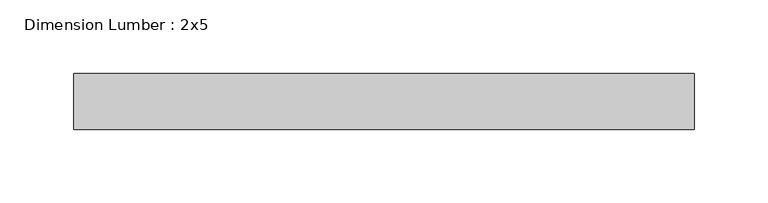
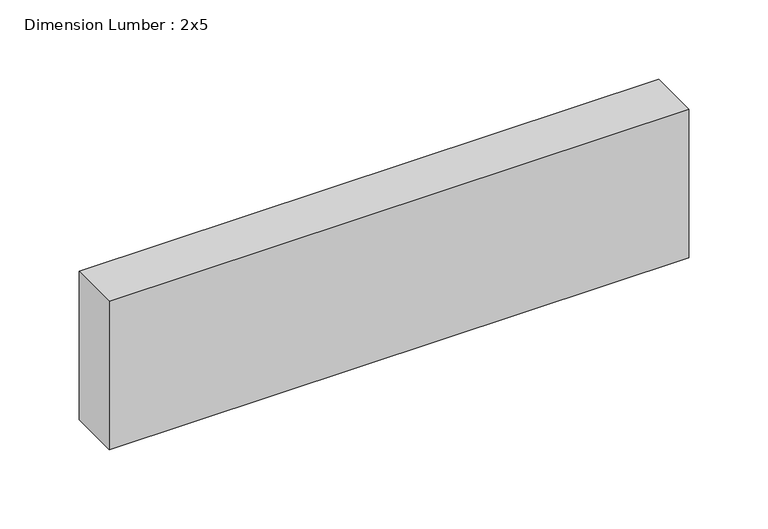
"""IFC4 building model written with IfcOpenShell, lengths in millimetres: beam geometry, Dimension Lumber : 2x5."""

import ifcopenshell
import ifcopenshell.guid

model = None  # the IFC model being written
_history = None  # IfcOwnerHistory: only IFC2X3 demands one
_inside = {}  # id of a spatial element -> (the spatial element, [elements in it])
_under = {}  # id of a project, library or spatial element -> (it, [spatial elements below it])
_declared = {}  # id of a project -> (the project, [libraries it declares])
_typed = {}  # id of a type object -> (the type object, [elements of that type])
_made_of = {}  # id of a material, layer set ... -> (it, [elements and type objects made of it])


def new_model(schema):
    """Start an empty IFC model of exactly this schema.

    Asked for "IFC4X3", IfcOpenShell would pick the latest addendum, in which some entities
    have other attributes; the version numbers below select the first issue.
    IFC2X3 requires an IfcOwnerHistory on every rooted entity: one is made here for all.
    """
    global model, _history
    if schema == "IFC4X3":
        model = ifcopenshell.file(schema_version=(4, 3, 0, 0))
    else:
        model = ifcopenshell.file(schema=schema)
    _inside.clear()
    _under.clear()
    _declared.clear()
    _typed.clear()
    _made_of.clear()
    _history = None
    if model.schema == "IFC2X3":
        org = make("IfcOrganization", Name="unknown")
        user = make(
            "IfcPersonAndOrganization",
            ThePerson=make("IfcPerson", FamilyName="unknown"),
            TheOrganization=org,
        )
        app = make(
            "IfcApplication",
            ApplicationDeveloper=org,
            Version="unknown",
            ApplicationFullName="unknown",
            ApplicationIdentifier="unknown",
        )
        _history = make(
            "IfcOwnerHistory",
            OwningUser=user,
            OwningApplication=app,
            ChangeAction="ADDED",
            CreationDate=0,
        )
    return model


def make(cls, **values):
    """One entity of the class cls with the attributes given. An attribute that is None is left unset."""
    return model.create_entity(
        cls, **{name: value for name, value in values.items() if value is not None}
    )


def rooted(cls, **values):
    """An entity with a GlobalId (a new one), such as an element, a storey or a relation."""
    return make(cls, GlobalId=ifcopenshell.guid.new(), OwnerHistory=_history, **values)


def si_unit(unit_type, name, prefix=None):
    """IfcSIUnit, for example si_unit("LENGTHUNIT", "METRE", prefix="MILLI")."""
    return make("IfcSIUnit", UnitType=unit_type, Prefix=prefix, Name=name)


def assignment(units):
    """IfcUnitAssignment: the units of a project."""
    return None if units is None else make("IfcUnitAssignment", Units=units)


def point(xyz):
    """IfcCartesianPoint."""
    return None if xyz is None else make("IfcCartesianPoint", Coordinates=xyz)


def direction(xyz):
    """IfcDirection."""
    return None if xyz is None else make("IfcDirection", DirectionRatios=xyz)


def frame(location, z_axis=None, x_axis=None):
    """IfcAxis2Placement3D, a coordinate frame: its origin and axes. An axis left out is left unset."""
    return make(
        "IfcAxis2Placement3D",
        Location=point(location),
        Axis=direction(z_axis),
        RefDirection=direction(x_axis),
    )


def origin():
    """The frame at (0, 0, 0) with its axes left unset."""
    return frame((0.0, 0.0, 0.0))


def place(relative_to, where):
    """IfcLocalPlacement: puts the frame where relative to a parent placement (None: the world)."""
    return make(
        "IfcLocalPlacement", PlacementRelTo=relative_to, RelativePlacement=where
    )


def context(
    kind, dimensions, precision=None, world=None, true_north=None, identifier=None
):
    """IfcGeometricRepresentationContext, for example the 3D "Model" context."""
    return make(
        "IfcGeometricRepresentationContext",
        ContextIdentifier=identifier,
        ContextType=kind,
        CoordinateSpaceDimension=dimensions,
        Precision=precision,
        WorldCoordinateSystem=world,
        TrueNorth=true_north,
    )


def project(units=None, contexts=None):
    """IfcProject with its units and contexts."""
    return rooted(
        "IfcProject",
        Name="project",
        RepresentationContexts=contexts,
        UnitsInContext=assignment(units),
    )


def spatial(cls, under=None, at=None, **own):
    """A site, building, storey or space (cls), placed at a placement, below another one or the project."""
    s = rooted(cls, ObjectPlacement=at, **own)
    if under is not None:
        _under.setdefault(under.id(), (under, []))[1].append(s)
    return s


def polyline(points):
    """IfcPolyline through the points."""
    return make("IfcPolyline", Points=[point(p) for p in points])


def outline(outer, holes=None, kind="AREA"):
    """IfcArbitraryClosedProfileDef: a profile drawn as a closed curve; with holes, ...WithVoids."""
    if holes is None:
        return make("IfcArbitraryClosedProfileDef", ProfileType=kind, OuterCurve=outer)
    return make(
        "IfcArbitraryProfileDefWithVoids",
        ProfileType=kind,
        OuterCurve=outer,
        InnerCurves=holes,
    )


def extrude(swept, where, along, depth):
    """IfcExtrudedAreaSolid: the profile swept, set in the frame where, extruded along a direction by depth."""
    return make(
        "IfcExtrudedAreaSolid",
        SweptArea=swept,
        Position=where,
        ExtrudedDirection=direction(along),
        Depth=depth,
    )


def shape(context_of_items, identifier, shape_type, items):
    """IfcShapeRepresentation: the items that make up one representation, for example the "Body"."""
    return make(
        "IfcShapeRepresentation",
        ContextOfItems=context_of_items,
        RepresentationIdentifier=identifier,
        RepresentationType=shape_type,
        Items=items,
    )


def source(mapping_origin, context_of_items, identifier, shape_type, items):
    """IfcRepresentationMap: a shape defined once, which mapped items show again and again."""
    return make(
        "IfcRepresentationMap",
        MappingOrigin=mapping_origin,
        MappedRepresentation=shape(context_of_items, identifier, shape_type, items),
    )


def transform(
    local_origin,
    x_axis=None,
    y_axis=None,
    z_axis=None,
    scale=None,
    scale2=None,
    scale3=None,
    uniform=True,
):
    """IfcCartesianTransformationOperator3D, or its non-uniform kind. x_axis, y_axis, z_axis: its Axis1, 2, 3."""
    if uniform:
        return make(
            "IfcCartesianTransformationOperator3D",
            Axis1=direction(x_axis),
            Axis2=direction(y_axis),
            LocalOrigin=point(local_origin),
            Scale=scale,
            Axis3=direction(z_axis),
        )
    return make(
        "IfcCartesianTransformationOperator3DnonUniform",
        Axis1=direction(x_axis),
        Axis2=direction(y_axis),
        LocalOrigin=point(local_origin),
        Scale=scale,
        Axis3=direction(z_axis),
        Scale2=scale2,
        Scale3=scale3,
    )


def mapped(mapping_source, mapping_target):
    """IfcMappedItem: shows the shape of a source again, moved by a transform."""
    return make(
        "IfcMappedItem", MappingSource=mapping_source, MappingTarget=mapping_target
    )


def made_of(thing, what):
    """Note that an element or type object is made of a material, layer set ...; save() writes the relation."""
    if what is not None:
        _made_of.setdefault(what.id(), (what, []))[1].append(thing)
    return thing


def element(
    cls,
    number,
    at=None,
    inside=None,
    cuts=None,
    type_object=None,
    material=None,
    context=None,
    identifier="Body",
    shape_type=None,
    held_by="IfcProductDefinitionShape",
    body=None,
    shapes=None,
    **own,
):
    """One element of the class cls, such as IfcWall. Its Tag is "e" and its number.

    at: its placement. inside: the storey or other place that contains it. cuts: it is an
    opening in that element (IfcRelVoidsElement). A single representation is given by context,
    identifier, shape_type and body (its items); several are given by shapes. held_by: the class
    of the entity that holds the representations. save() writes the other relations.
    """
    e = rooted(cls, Tag="e%d" % number, ObjectPlacement=at, **own)
    if body is not None:
        shapes = [shape(context, identifier, shape_type, body)]
    if shapes is not None:
        e.Representation = make(held_by, Representations=shapes)
    if inside is not None:
        _inside.setdefault(inside.id(), (inside, []))[1].append(e)
    if cuts is not None:
        rooted(
            "IfcRelVoidsElement", RelatingBuildingElement=cuts, RelatedOpeningElement=e
        )
    if type_object is not None:
        _typed.setdefault(type_object.id(), (type_object, []))[1].append(e)
    return made_of(e, material)


def aggregate(whole, parts):
    """IfcRelAggregates: a whole, such as a stair, and the parts it consists of."""
    return rooted("IfcRelAggregates", RelatingObject=whole, RelatedObjects=parts)


def save(model, path):
    """Write the relations noted so far, then the file.

    IfcRelAggregates (storeys below a building ...), IfcRelContainedInSpatialStructure (elements
    in a storey), IfcRelDefinesByType, IfcRelAssociatesMaterial and IfcRelDeclares: one each for
    every whole, place, type object, material and project.
    """
    for whole, parts in _under.values():
        aggregate(whole, parts)
    for where, things in _inside.values():
        rooted(
            "IfcRelContainedInSpatialStructure",
            RelatedElements=things,
            RelatingStructure=where,
        )
    for kind, things in _typed.values():
        rooted("IfcRelDefinesByType", RelatedObjects=things, RelatingType=kind)
    for what, things in _made_of.values():
        rooted("IfcRelAssociatesMaterial", RelatedObjects=things, RelatingMaterial=what)
    for by, libraries in _declared.values():
        rooted("IfcRelDeclares", RelatingContext=by, RelatedDefinitions=libraries)
    model.write(path)


def dimension_lumber_2x5_cc714c6d(model_context):
    return source(origin(), model_context, "Body", "SweptSolid", [
        extrude(outline(polyline([(212.900691, 19.05), (212.900691, -19.05), (-209.0134198, -19.05), (-209.0134198, 19.05), (212.900691, 19.05)])), frame((0.0, 0.0, -57.15), z_axis=(0.0, 0.0, 1.0), x_axis=(1.0, 0.0, 0.0)), (0.0, 0.0, 1.0), 114.3),
    ])


if __name__ == "__main__":
    model = new_model("IFC4")
    model_context = context("Model", 3, world=origin())
    ifc_project = project(units=[si_unit("LENGTHUNIT", "METRE", prefix="MILLI")], contexts=[model_context])
    site = spatial("IfcSite", under=ifc_project)
    building = spatial("IfcBuilding", under=site)
    placement = place(None, origin())
    dimension_lumber_2x5_shape = dimension_lumber_2x5_cc714c6d(model_context)
    element("IfcBeam", 1, ObjectType="Dimension Lumber : 2x5", at=placement, inside=building, context=model_context, shape_type="MappedRepresentation", body=[
        mapped(dimension_lumber_2x5_shape, transform((0.0, 0.0, 0.0), x_axis=(1.0, 0.0, 0.0), y_axis=(0.0, 1.0, 0.0), z_axis=(0.0, 0.0, 1.0))),
    ])
    save(model, "model.ifc")
